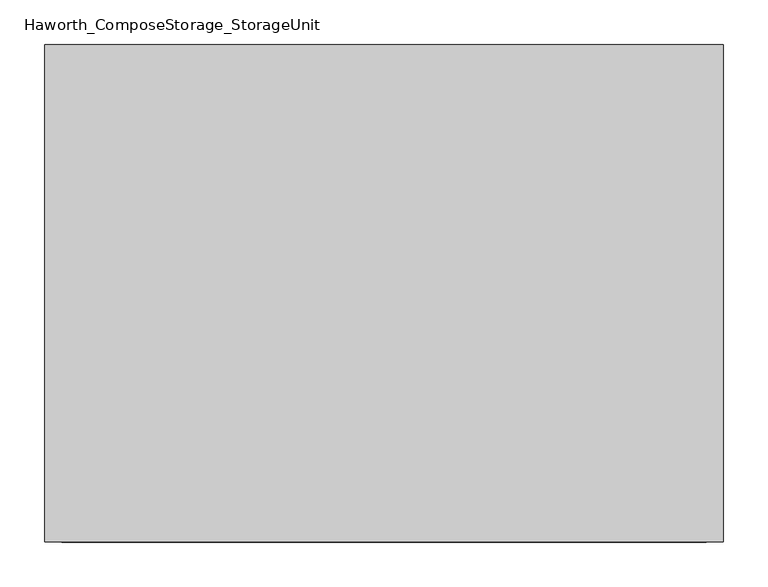
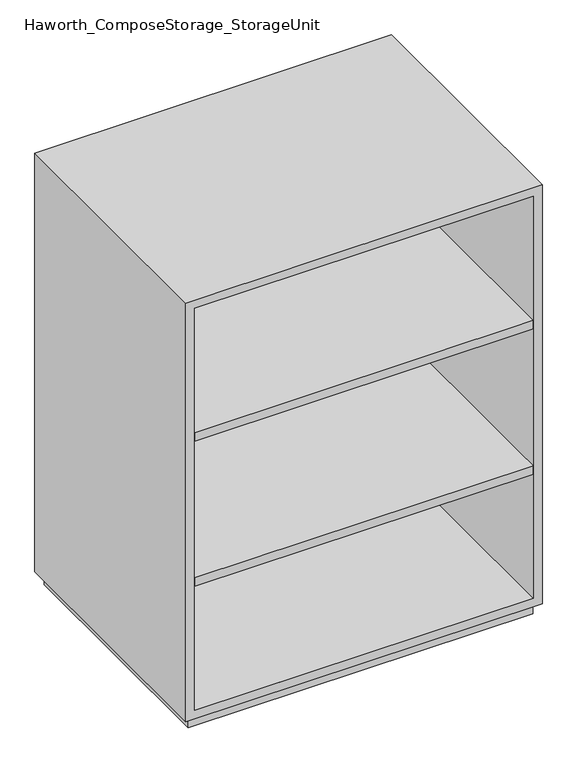
"""IFC4 building model written with IfcOpenShell, lengths in millimetres: furniture geometry, Haworth_ComposeStorage_StorageUnit."""

from ifc_helpers import new_model, si_unit, frame, origin, origin_with_axes, place, context, project, spatial, polyline, outline, extrude, source, transform, mapped, element, save


def haworth_composestorage_storageunit_2163b2b4(model_context):
    return source(origin(), model_context, "Body", "SweptSolid", [
        extrude(outline(polyline([(361.9569453, 295.275), (361.9569453, -228.6), (-361.9291641, -228.6), (-361.9291641, 295.275), (361.9569453, 295.275)])), frame((0.0, 0.0, 652.9916667), z_axis=(0.0, 0.0, 1.0), x_axis=(1.0, 0.0, 0.0)), (0.0, 0.0, 1.0), 19.05),
        extrude(outline(polyline([(361.9569453, 295.275), (361.9569453, -228.6), (-361.9291641, -228.6), (-361.9291641, 295.275), (361.9569453, 295.275)])), frame((0.0, 0.0, 324.9083333), z_axis=(0.0, 0.0, 1.0), x_axis=(1.0, 0.0, 0.0)), (0.0, 0.0, 1.0), 19.05),
        extrude(outline(polyline([(25.4, -380.9861094), (25.4, 381.0138906), (971.55, 381.0138906), (971.55, -380.9861094), (25.4, -380.9861094)]), holes=[polyline([(44.45, -361.9361094), (952.5, -361.9361094), (952.5, 361.9569453), (44.45, 361.9569453), (44.45, -361.9361094)])]), frame((0.0, -228.6, 0.0), z_axis=(0.0, 1.0, 0.0), x_axis=(0.0, 0.0, 1.0)), (0.0, 0.0, 1.0), 558.8),
        extrude(outline(polyline([(-361.9291641, 295.275), (-361.9291641, 304.8), (361.9569453, 304.8), (361.9569453, 295.275), (-361.9291641, 295.275)])), frame((0.0, 0.0, 44.45), z_axis=(0.0, 0.0, 1.0), x_axis=(1.0, 0.0, 0.0)), (0.0, 0.0, 1.0), 908.05),
        extrude(outline(polyline([(368.3138906, -215.9), (-368.2861094, -215.9), (-368.2861094, 317.5), (368.3138906, 317.5), (368.3138906, -215.9)])), origin_with_axes(), (0.0, 0.0, 1.0), 25.4),
    ])


if __name__ == "__main__":
    model = new_model("IFC4")
    model_context = context("Model", 3, world=origin())
    ifc_project = project(units=[si_unit("LENGTHUNIT", "METRE", prefix="MILLI")], contexts=[model_context])
    site = spatial("IfcSite", under=ifc_project)
    building = spatial("IfcBuilding", under=site)
    placement = place(None, origin())
    haworth_composestorage_storageunit_shape = haworth_composestorage_storageunit_2163b2b4(model_context)
    element("IfcFurniture", 1, ObjectType="Haworth_ComposeStorage_StorageUnit", at=placement, inside=building, context=model_context, shape_type="MappedRepresentation", body=[
        mapped(haworth_composestorage_storageunit_shape, transform((0.0, 0.0, 0.0), x_axis=(1.0, 0.0, 0.0), y_axis=(0.0, 1.0, 0.0), z_axis=(0.0, 0.0, 1.0))),
    ])
    save(model, "model.ifc")
